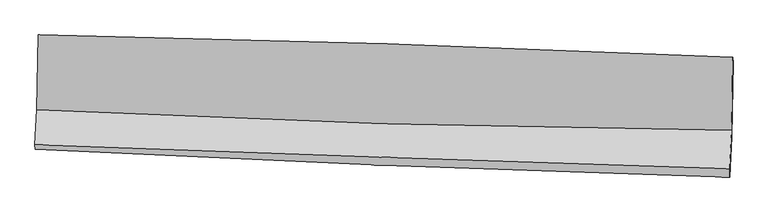
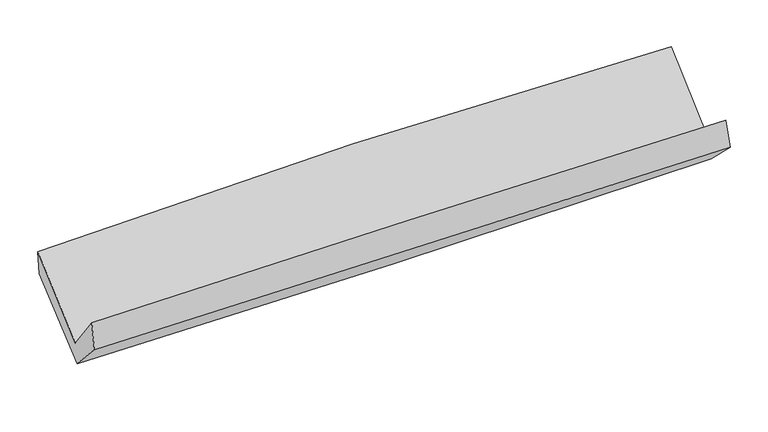
"""IFC4 building model written with IfcOpenShell, lengths in millimetres: proxy geometry."""

from ifc_helpers import new_model, si_unit, frame, origin, place, context, project, spatial, source, transform, mapped, element, save
from ifc_brep_helpers import plane_surface, spline_curve, spline_surface, advanced_brep


def generic_models_0ae082df(model_context):
    return source(origin(), model_context, "Body", "AdvancedBrep", [
        advanced_brep(
        [(-2386.2965956, -1131.1835071, 2184.1783934), (-2396.6747791, -1646.7989259, 1758.5541369), (2382.9864588, -1785.3343919, 1842.1198659), (2391.0707201, -1285.701723, 2273.9639359), (-2409.0449394, -1888.0315746, 2074.7632745), (2370.0930412, -2050.3735922, 2143.8916429), (-2407.0925401, -1918.2300177, 1874.2612886), (2371.3215198, -2108.5007373, 1959.8427997), (-2395.3054719, -1672.6064284, 1607.7246532), (2384.0348656, -1830.3365301, 1693.6253572), (-2384.3280541, -1146.4657705, 2015.4712433), (2393.0123106, -1321.387847, 2087.7190351)],
        [
            (0, 1),
            (1, 2, spline_curve(3, [(-2396.6747791, -1646.7989259, 1758.5541369), (-1600.934081992, -1686.593627831, 1794.489868134), (-804.751438197, -1718.035658658, 1819.421471578), (788.46900639, -1764.213544858, 1847.275920827), (1585.506775368, -1778.950002573, 1850.199560396), (2382.9864588, -1785.3343919, 1842.1198659)], [4, 2, 4], [0.0, 7.844799649594964, 15.689316319952372])),
            (2, 3),
            (3, 0, spline_curve(3, [(2391.0707201, -1285.701723, 2273.9639359), (1594.840101277, -1248.240574616, 2282.015983443), (798.618029398, -1216.633608804, 2278.560221378), (-793.837743013, -1165.127114603, 2248.632537234), (-1590.071442889, -1145.228008243, 2222.159785582), (-2386.2965956, -1131.1835071, 2184.1783934)], [4, 2, 4], [0.0, 7.844516670357408, 15.689316319952372])),
            (1, 4),
            (4, 5, spline_curve(3, [(-2409.0449394, -1888.0315746, 2074.7632745), (-1612.770614415, -1917.563199089, 2096.023299933), (-816.364768109, -1945.857734561, 2112.414026009), (776.681234848, -1999.971651217, 2135.456463988), (1573.321382131, -2025.791121606, 2142.10852758), (2370.0930412, -2050.3735922, 2143.8916429)], [4, 2, 4], [0.0, 7.84586019101072, 15.691437364527815])),
            (5, 2),
            (4, 6),
            (6, 7, spline_curve(3, [(-2407.0925401, -1918.2300177, 1874.2612886), (-1611.140110855, -1959.425940484, 1896.833095528), (-814.955538324, -1995.879995477, 1915.250845337), (777.849165015, -2059.303226795, 1943.77771594), (1574.469279191, -2086.272744859, 1953.88713663), (2371.3215198, -2108.5007373, 1959.8427997)], [4, 2, 4], [0.0, 7.845914176290298, 15.691545333139604])),
            (7, 5),
            (6, 8),
            (8, 9, spline_curve(3, [(-2395.3054719, -1672.6064284, 1607.7246532), (-1598.888008158, -1706.54364057, 1614.589402648), (-802.393729767, -1736.656589819, 1625.180365739), (790.71972149, -1789.23301469, 1653.814202808), (1587.338889119, -1811.69676585, 1671.856807516), (2384.0348656, -1830.3365301, 1693.6253572)], [4, 2, 4], [0.0, 7.846096577581559, 15.691910129142506])),
            (9, 7),
            (8, 10),
            (10, 11, spline_curve(3, [(-2384.3280541, -1146.4657705, 2015.4712433), (-1588.411442198, -1181.227428026, 2034.466214091), (-792.334255595, -1213.185308836, 2049.984394611), (800.112543942, -1271.492465311, 2074.06674123), (1596.482145794, -1297.841943392, 2082.631157686), (2393.0123106, -1321.387847, 2087.7190351)], [4, 2, 4], [0.0, 7.844526297995067, 15.688769626612974])),
            (11, 9),
            (10, 0),
            (3, 11),
        ],
        [
            spline_surface(3, 3, [[(-2386.2965956, -1131.1835071, 2184.1783934), (-1590.071443007, -1145.22800816, 2222.159785474), (-793.83774307, -1165.127114548, 2248.632537352), (798.618029455, -1216.633608859, 2278.560221259), (1594.840101402, -1248.240574488, 2282.015983529), (2391.0707201, -1285.701723, 2273.9639359)], [(-2389.755990083, -1303.055313363, 2042.303641234), (-1593.692322626, -1325.683214748, 2079.603146373), (-797.475641443, -1349.429962601, 2105.562182106), (795.235021742, -1399.160254161, 2134.798787763), (1591.728992681, -1425.143717226, 2138.077175797), (2388.375966331, -1452.245945966, 2130.015912588)], [(-2393.215384617, -1474.927119637, 1900.428889066), (-1597.313202296, -1506.138421347, 1937.046507272), (-801.113539784, -1533.732810676, 1962.49182687), (791.852014062, -1581.686899484, 1991.037354277), (1588.617883967, -1602.046859965, 1994.138368002), (2385.681212569, -1618.790168934, 1986.067889212)], [(-2396.6747791, -1646.7989259, 1758.5541369), (-1600.934081915, -1686.593627934, 1794.489868171), (-804.751438156, -1718.03565873, 1819.421471624), (788.469006349, -1764.213544786, 1847.275920781), (1585.506775246, -1778.950002702, 1850.199560269), (2382.9864588, -1785.3343919, 1842.1198659)]], [4, 4], [4, 2, 4], [0.0, 2.2918792559414767], [0.0, 7.844799649594964, 15.689316319952372]),
            spline_surface(3, 3, [[(-2396.6747791, -1646.7989259, 1758.5541369), (-1600.934081915, -1686.593627934, 1794.489868171), (-804.751438156, -1718.03565873, 1819.421471624), (788.469006349, -1764.213544786, 1847.275920781), (1585.506775246, -1778.950002702, 1850.199560269), (2382.9864588, -1785.3343919, 1842.1198659)], [(-2400.798165869, -1727.209808782, 1863.95718278), (-1604.879592789, -1763.583484988, 1895.001012062), (-808.622548136, -1793.976350679, 1917.085656372), (784.539749202, -1842.79958026, 1943.336101868), (1581.444977503, -1861.230375693, 1947.502549308), (2378.688652924, -1873.680792017, 1942.710458208)], [(-2404.921552631, -1807.620691718, 1969.36022862), (-1608.825103656, -1840.573342097, 1995.512155913), (-812.493658152, -1869.917042624, 2014.749841164), (780.610492018, -1921.385615731, 2039.396282998), (1577.383179788, -1943.510748633, 2044.805538421), (2374.390847076, -1962.027192083, 2043.301050592)], [(-2409.0449394, -1888.0315746, 2074.7632745), (-1612.77061453, -1917.56319915, 2096.023299804), (-816.364768132, -1945.857734573, 2112.414025912), (776.681234871, -1999.971651205, 2135.456464084), (1573.321382044, -2025.791121624, 2142.108527459), (2370.0930412, -2050.3735922, 2143.8916429)]], [4, 4], [4, 2, 4], [0.0, 1.2201199447934112], [0.0, 7.84586019101072, 15.691437364527815]),
            spline_surface(3, 3, [[(-2409.0449394, -1888.0315746, 2074.7632745), (-1612.77061453, -1917.56319915, 2096.023299804), (-816.364768132, -1945.857734573, 2112.414025912), (776.681234871, -1999.971651205, 2135.456464084), (1573.321382044, -2025.791121624, 2142.108527459), (2370.0930412, -2050.3735922, 2143.8916429)], [(-2408.394139635, -1898.097722315, 2007.92927919), (-1612.227113325, -1931.517446271, 2029.626565043), (-815.895024872, -1962.531821594, 2046.692965714), (777.070544918, -2019.748843048, 2071.563548064), (1573.704014406, -2045.951662671, 2079.368063854), (2370.502534071, -2069.749307228, 2082.542028523)], [(-2407.743339865, -1908.163869985, 1941.09528391), (-1611.683612114, -1945.471693345, 1963.229830312), (-815.425281597, -1979.205908565, 1980.971905484), (777.459854982, -2039.526034842, 2007.670632011), (1574.086646756, -2066.112203733, 2016.627600179), (2370.912026929, -2089.125022272, 2021.192414077)], [(-2407.0925401, -1918.2300177, 1874.2612886), (-1611.140110909, -1959.425940466, 1896.833095552), (-814.955538338, -1995.879995586, 1915.250845286), (777.84916503, -2059.303226685, 1943.777715991), (1574.469279118, -2086.27274478, 1953.887136574), (2371.3215198, -2108.5007373, 1959.8427997)]], [4, 4], [4, 2, 4], [0.0, 0.662622107676786], [0.0, 7.845914176290298, 15.691545333139604]),
            spline_surface(3, 3, [[(-2407.0925401, -1918.2300177, 1874.2612886), (-1611.140110909, -1959.425940466, 1896.833095552), (-814.955538338, -1995.879995586, 1915.250845286), (777.84916503, -2059.303226685, 1943.777715991), (1574.469279118, -2086.27274478, 1953.887136574), (2371.3215198, -2108.5007373, 1959.8427997)], [(-2403.163517372, -1836.35548792, 1785.415743474), (-1607.056076628, -1875.131840493, 1802.751864622), (-810.768268818, -1909.472193679, 1818.56068546), (782.139350548, -1969.279822639, 1847.123211541), (1578.759149129, -1994.747418464, 1859.877026895), (2375.559301727, -2015.779334905, 1871.103652196)], [(-2399.234494628, -1754.48095818, 1696.570198326), (-1602.972042333, -1790.83774056, 1708.670633672), (-806.58099934, -1823.06439182, 1721.870525683), (786.429536023, -1879.256418642, 1750.468707141), (1583.049019159, -1903.222092133, 1765.866917228), (2379.797083673, -1923.057932495, 1782.364504704)], [(-2395.3054719, -1672.6064284, 1607.7246532), (-1598.888008052, -1706.543640587, 1614.589402742), (-802.393729819, -1736.656589913, 1625.180365857), (790.719721542, -1789.233014596, 1653.814202691), (1587.338889171, -1811.696765816, 1671.856807549), (2384.0348656, -1830.3365301, 1693.6253572)]], [4, 4], [4, 2, 4], [0.0, 1.2887872030696919], [0.0, 7.846096577581559, 15.691910129142506]),
            spline_surface(3, 3, [[(-2395.3054719, -1672.6064284, 1607.7246532), (-1598.888008052, -1706.543640587, 1614.589402742), (-802.393729819, -1736.656589913, 1625.180365857), (790.719721542, -1789.233014596, 1653.814202691), (1587.338889171, -1811.696765816, 1671.856807549), (2384.0348656, -1830.3365301, 1693.6253572)], [(-2391.64633262, -1497.226209103, 1743.640183233), (-1595.395819413, -1531.438236384, 1754.548339858), (-799.0405718, -1562.16616286, 1766.781708807), (793.850662372, -1616.652831503, 1793.898382175), (1590.386641418, -1640.411824993, 1808.781590949), (2387.027347271, -1660.686969062, 1824.989916482)], [(-2387.98719338, -1321.845989797, 1879.555713267), (-1591.903630813, -1356.332832172, 1894.507276975), (-795.687413744, -1387.675735845, 1908.383051752), (796.98160324, -1444.072648448, 1933.982561654), (1593.434393652, -1469.126884182, 1945.706374402), (2390.019828929, -1491.037408038, 1956.354475818)], [(-2384.3280541, -1146.4657705, 2015.4712433), (-1588.411442174, -1181.227427969, 2034.466214091), (-792.334255724, -1213.185308792, 2049.984394702), (800.112544071, -1271.492465355, 2074.066741138), (1596.482145899, -1297.841943359, 2082.631157802), (2393.0123106, -1321.387847, 2087.7190351)]], [4, 4], [4, 2, 4], [0.0, 2.2000115736857944], [0.0, 7.844526297995067, 15.688769626612974]),
            spline_surface(3, 3, [[(-2384.3280541, -1146.4657705, 2015.4712433), (-1588.411442174, -1181.227427969, 2034.466214091), (-792.334255724, -1213.185308792, 2049.984394702), (800.112544071, -1271.492465355, 2074.066741138), (1596.482145899, -1297.841943359, 2082.631157802), (2393.0123106, -1321.387847, 2087.7190351)], [(-2384.984234621, -1141.371682717, 2071.706959989), (-1588.964775806, -1169.227621383, 2097.030737875), (-792.835418171, -1197.165910729, 2116.200442274), (799.614372534, -1253.206179874, 2142.231234534), (1595.934797743, -1281.308153724, 2149.09276638), (2392.365113776, -1309.492472322, 2149.800668702)], [(-2385.640415079, -1136.277594883, 2127.942676711), (-1589.518109375, -1157.227814746, 2159.59526169), (-793.336580623, -1181.146512611, 2182.41648978), (799.116200991, -1234.91989434, 2210.395727863), (1595.387449558, -1264.774364123, 2215.554374951), (2391.717916924, -1297.597097678, 2211.882302298)], [(-2386.2965956, -1131.1835071, 2184.1783934), (-1590.071443007, -1145.22800816, 2222.159785474), (-793.83774307, -1165.127114548, 2248.632537352), (798.618029455, -1216.633608859, 2278.560221259), (1594.840101402, -1248.240574488, 2282.015983529), (2391.0707201, -1285.701723, 2273.9639359)]], [4, 4], [4, 2, 4], [0.0, 0.6825484717942407], [0.0, 7.843208075307852, 15.686133228789746]),
            plane_surface(frame((2382.086486, -1730.2724702, 2000.1937728), z_axis=(0.9994133935581702, -0.030173174584578383, 0.016200256542131856), x_axis=(0.013945459490730297, 0.7905950113594121, 0.6121805715417661))),
            plane_surface(frame((-2396.4570634, -1567.2193707, 1919.1588316), z_axis=(-0.9993769790367504, 0.032144722442477555, -0.014572940351028308), x_axis=(0.011620029560179336, -0.09020909445710304, -0.9958550568181346))),
        ],
        [
            (0, [[1, 2, 3, 4]]),
            (1, [[5, 6, 7, -2]]),
            (2, [[8, 9, 10, -6]]),
            (3, [[11, 12, 13, -9]]),
            (4, [[14, 15, 16, -12]]),
            (5, [[17, -4, 18, -15]]),
            (6, [[-16, -18, -3, -7, -10, -13]]),
            (7, [[-17, -14, -11, -8, -5, -1]]),
        ],
    ),
    ])


if __name__ == "__main__":
    model = new_model("IFC4")
    model_context = context("Model", 3, world=origin())
    ifc_project = project(units=[si_unit("LENGTHUNIT", "METRE", prefix="MILLI")], contexts=[model_context])
    site = spatial("IfcSite", under=ifc_project)
    building = spatial("IfcBuilding", under=site)
    placement = place(None, origin())
    generic_models_shape = generic_models_0ae082df(model_context)
    element("IfcBuildingElementProxy", 1, Name="Generic Models", at=placement, inside=building, context=model_context, shape_type="MappedRepresentation", body=[
        mapped(generic_models_shape, transform((0.0, 0.0, 0.0), x_axis=(1.0, 0.0, 0.0), y_axis=(0.0, 1.0, 0.0), z_axis=(0.0, 0.0, 1.0))),
    ])
    save(model, "model.ifc")
